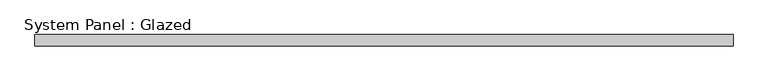
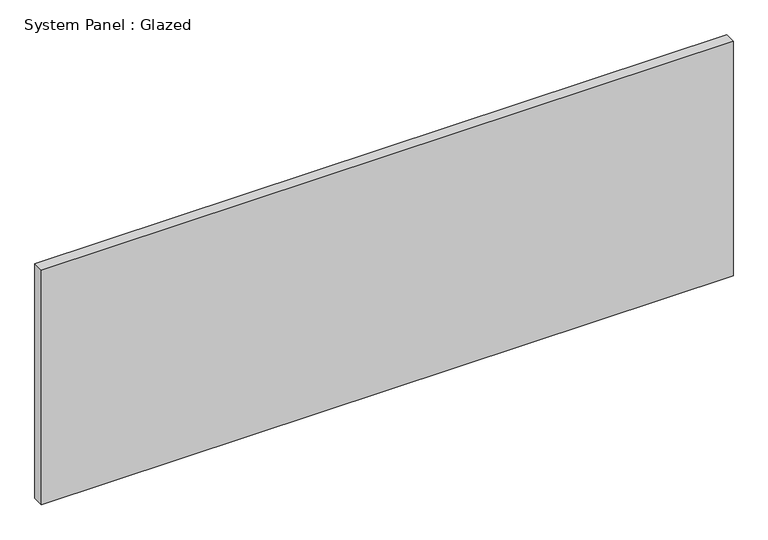
"""IFC4 building model written with IfcOpenShell, lengths in millimetres: plate geometry, System Panel : Glazed."""

from ifc_helpers import new_model, si_unit, origin, origin_with_axes, place, context, project, spatial, polyline, outline, extrude, source, transform, mapped, element, save


def system_panel_glazed_2ca86352(model_context):
    return source(origin(), model_context, "Body", "SweptSolid", [
        extrude(outline(polyline([(781.562846, 24.5), (-781.562846, 24.5), (-781.562846, 49.5), (781.562846, 49.5), (781.562846, 24.5)])), origin_with_axes(), (0.0, 0.0, 1.0), 559.6),
    ])


if __name__ == "__main__":
    model = new_model("IFC4")
    model_context = context("Model", 3, world=origin())
    ifc_project = project(units=[si_unit("LENGTHUNIT", "METRE", prefix="MILLI")], contexts=[model_context])
    site = spatial("IfcSite", under=ifc_project)
    building = spatial("IfcBuilding", under=site)
    placement = place(None, origin())
    system_panel_glazed_shape = system_panel_glazed_2ca86352(model_context)
    element("IfcPlate", 1, ObjectType="System Panel : Glazed", at=placement, inside=building, context=model_context, shape_type="MappedRepresentation", body=[
        mapped(system_panel_glazed_shape, transform((0.0, 0.0, 0.0), x_axis=(1.0, 0.0, 0.0), y_axis=(0.0, 1.0, 0.0), z_axis=(0.0, 0.0, 1.0))),
    ])
    save(model, "model.ifc")
